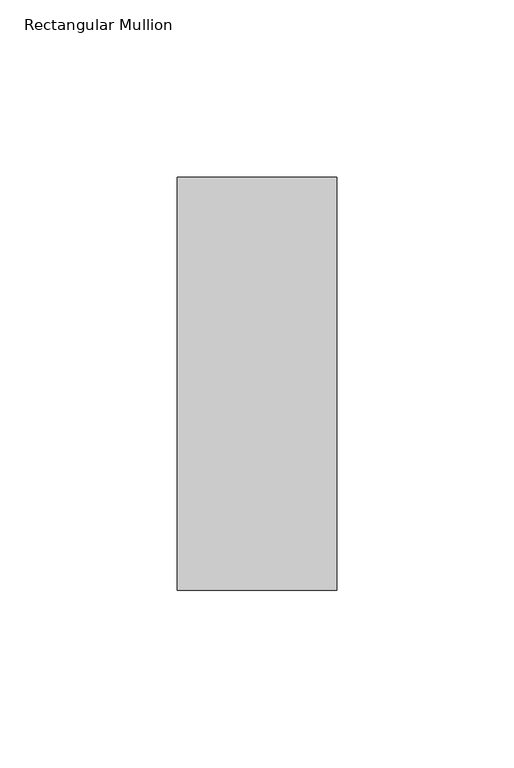
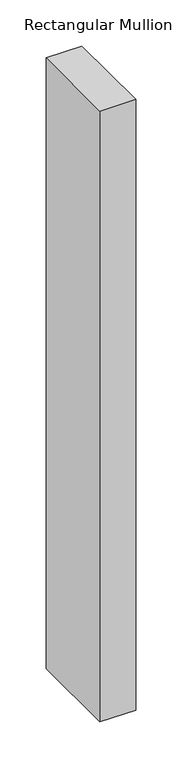
"""IFC4 building model written with IfcOpenShell, lengths in millimetres: member geometry, Rectangular Mullion."""

from ifc_helpers import new_model, si_unit, frame, origin, place, context, project, spatial, polyline, outline, extrude, source, transform, mapped, element, save


def rectangular_mullion_42709eec(model_context):
    return source(origin(), model_context, "Body", "SweptSolid", [
        extrude(outline(polyline([(-45.0453125, 73.875), (0.0, 73.875), (0.0, -42.8257813), (-45.0453125, -42.8257813), (-45.0453125, 73.875)])), frame((0.0, 0.0, -810.1124175), z_axis=(0.0, 0.0, 1.0), x_axis=(1.0, 0.0, 0.0)), (0.0, 0.0, 1.0), 810.1124175),
    ])


if __name__ == "__main__":
    model = new_model("IFC4")
    model_context = context("Model", 3, world=origin())
    ifc_project = project(units=[si_unit("LENGTHUNIT", "METRE", prefix="MILLI")], contexts=[model_context])
    site = spatial("IfcSite", under=ifc_project)
    building = spatial("IfcBuilding", under=site)
    placement = place(None, origin())
    rectangular_mullion_shape = rectangular_mullion_42709eec(model_context)
    element("IfcMember", 1, ObjectType="Rectangular Mullion", at=placement, inside=building, context=model_context, shape_type="MappedRepresentation", body=[
        mapped(rectangular_mullion_shape, transform((0.0, 0.0, 0.0), x_axis=(1.0, 0.0, 0.0), y_axis=(0.0, 1.0, 0.0), z_axis=(0.0, 0.0, 1.0))),
    ])
    save(model, "model.ifc")
